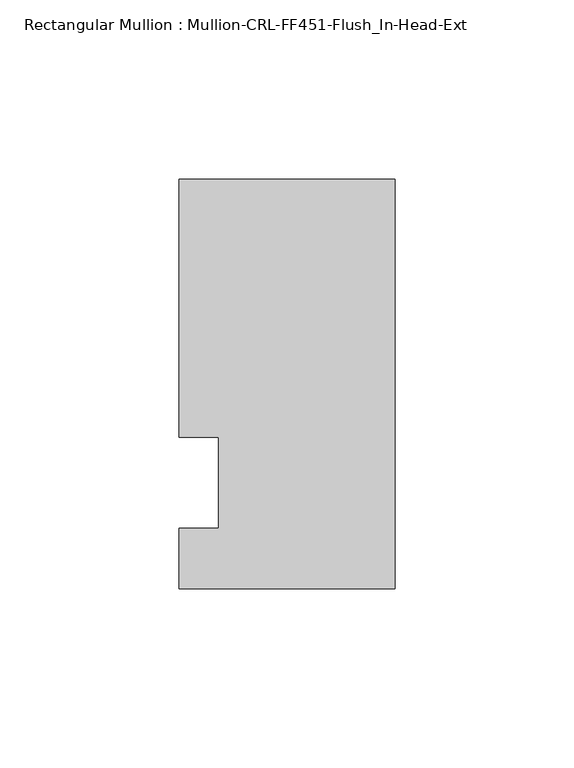
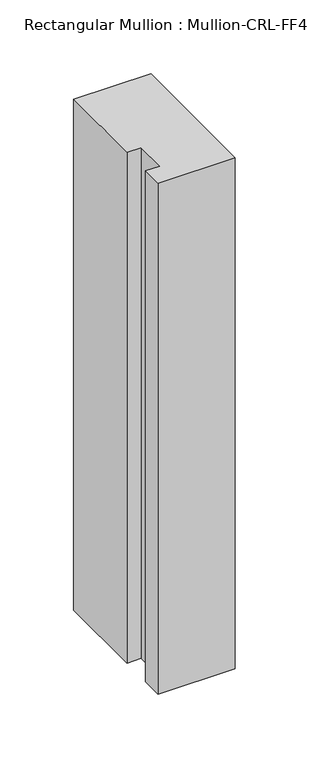
"""IFC4 building model written with IfcOpenShell, lengths in millimetres: member geometry, Rectangular Mullion : Mullion-CRL-FF451-Flush_In-Head-Ext."""

from ifc_helpers import new_model, si_unit, frame, origin, place, context, project, spatial, polyline, outline, extrude, source, transform, mapped, element, save


def rectangular_mullion_mullion_crl_ff451_flush_in_head_ext_18467f84(model_context):
    return source(origin(), model_context, "Body", "SweptSolid", [
        extrude(outline(polyline([(0.0, -29.6150427), (-60.325, -29.6150427), (-60.325, -12.7), (-49.2125, -12.7), (-49.2125, 12.7), (-60.325, 12.7), (-60.325, 84.6849573), (0.0, 84.6849573), (0.0, -29.6150427)])), frame((0.0, 0.0, -422.1154704), z_axis=(0.0, 0.0, 1.0), x_axis=(1.0, 0.0, 0.0)), (0.0, 0.0, 1.0), 422.1154704),
    ])


if __name__ == "__main__":
    model = new_model("IFC4")
    model_context = context("Model", 3, world=origin())
    ifc_project = project(units=[si_unit("LENGTHUNIT", "METRE", prefix="MILLI")], contexts=[model_context])
    site = spatial("IfcSite", under=ifc_project)
    building = spatial("IfcBuilding", under=site)
    placement = place(None, origin())
    rectangular_mullion_mullion_crl_ff451_flush_in_head_ext_shape = rectangular_mullion_mullion_crl_ff451_flush_in_head_ext_18467f84(model_context)
    element("IfcMember", 1, ObjectType="Rectangular Mullion : Mullion-CRL-FF451-Flush_In-Head-Ext", at=placement, inside=building, context=model_context, shape_type="MappedRepresentation", body=[
        mapped(rectangular_mullion_mullion_crl_ff451_flush_in_head_ext_shape, transform((0.0, 0.0, 0.0), x_axis=(1.0, 0.0, 0.0), y_axis=(0.0, 1.0, 0.0), z_axis=(0.0, 0.0, 1.0))),
    ])
    save(model, "model.ifc")
